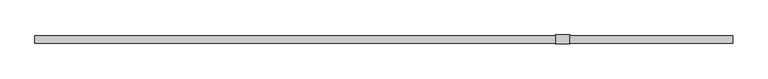
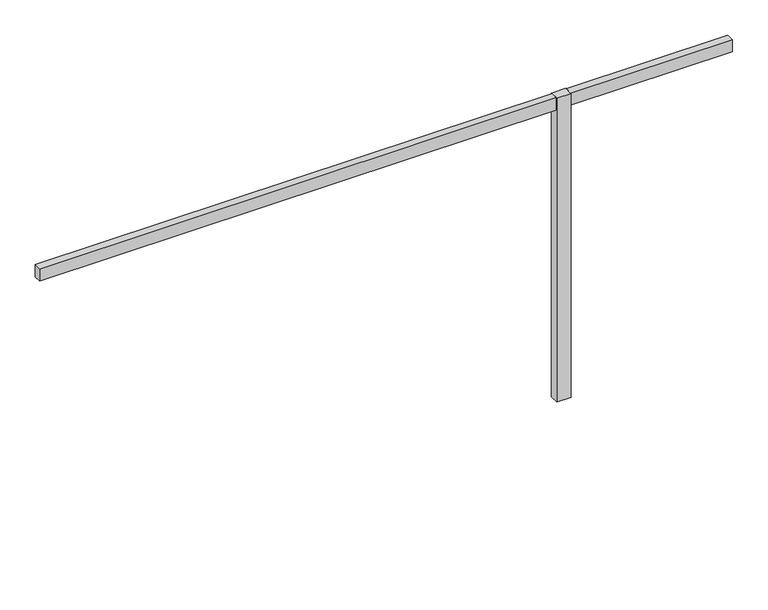
"""IFC4 building model written with IfcOpenShell, lengths in millimetres: furniture geometry."""

from ifc_helpers import new_model, si_unit, frame, origin, place, context, project, spatial, polyline, circle_curve, outline, extrude, source, transform, mapped, element, save
from ifc_brep_helpers import plane_surface, cylinder_surface, revolved_surface, advanced_brep


def furniture_31d07122(model_context):
    return source(origin(), model_context, "Body", "SolidModel", [
        extrude(outline(polyline([(0.0, -25.4), (0.0, 25.4), (3657.6, 25.4), (3657.6, -25.4), (0.0, -25.4)])), frame((0.0, 0.0, 2193.163), z_axis=(0.0, 0.0, 1.0), x_axis=(1.0, 0.0, 0.0)), (0.0, 0.0, 1.0), 92.71),
        extrude(outline(polyline([(4903.5208, 25.4), (4903.5208, -25.4), (3759.2, -25.4), (3759.2, 25.4), (4903.5208, 25.4)])), frame((0.0, 0.0, 2193.163), z_axis=(0.0, 0.0, 1.0), x_axis=(1.0, 0.0, 0.0)), (0.0, 0.0, 1.0), 92.71),
        advanced_brep(
        [(3703.48608, 0.0, 12.2513995), (3716.9007166, 0.0, 12.2513995), (3716.9007166, 0.0, 8.6192084), (3703.48608, 0.0, 8.6192084), (3710.1933983, 0.0, 12.2513995), (3706.2977328, 0.0, 0.1343169), (3714.0890638, 0.0, 0.1343169), (3710.1933983, 0.0, 0.1343169), (3701.5954934, 0.0, 0.5457096), (3718.7913032, 0.0, 0.5457096), (3699.663095, 0.0, 1.6168555), (3720.7237016, 0.0, 1.6168555), (3698.9442797, 0.0, 3.5917842), (3721.4425168, 0.0, 3.5917842), (3698.9442797, 0.0, 5.5815918), (3721.4425168, 0.0, 5.5815918), (3699.3049588, 0.0, 6.9276644), (3721.0818378, 0.0, 6.9276644), (3700.3315909, 0.0, 7.9542964), (3720.0552057, 0.0, 7.9542964), (3701.9773058, 0.0, 8.6192084), (3718.4094908, 0.0, 8.6192084)],
        [
            (0, 1, circle_curve(frame((3710.1933983, 0.0, 12.2513995), z_axis=(0.0, 0.0, -1.0), x_axis=(1.0, 0.0, 0.0)), 6.7073183)),
            (1, 2),
            (2, 3, circle_curve(frame((3710.1933983, 0.0, 8.6192084), z_axis=(0.0, 0.0, 1.0), x_axis=(1.0, 0.0, 0.0)), 6.7073183)),
            (3, 0),
            (1, 0, circle_curve(frame((3710.1933983, 0.0, 12.2513995), z_axis=(0.0, 0.0, -1.0), x_axis=(1.0, 0.0, 0.0)), 6.7073183)),
            (3, 2, circle_curve(frame((3710.1933983, 0.0, 8.6192084), z_axis=(0.0, 0.0, 1.0), x_axis=(1.0, 0.0, 0.0)), 6.7073183)),
            (4, 1),
            (0, 4),
            (5, 6, circle_curve(frame((3710.1933983, 0.0, 0.1343169), z_axis=(0.0, 0.0, -1.0), x_axis=(1.0, 0.0, 0.0)), 3.8956655)),
            (6, 7),
            (7, 5),
            (6, 5, circle_curve(frame((3710.1933983, 0.0, 0.1343169), z_axis=(0.0, 0.0, -1.0), x_axis=(1.0, 0.0, 0.0)), 3.8956655)),
            (8, 9, circle_curve(frame((3710.1933983, 0.0, 0.5457096), z_axis=(0.0, 0.0, -1.0), x_axis=(1.0, 0.0, 0.0)), 8.5979049)),
            (9, 6),
            (5, 8),
            (9, 8, circle_curve(frame((3710.1933983, 0.0, 0.5457096), z_axis=(0.0, 0.0, -1.0), x_axis=(1.0, 0.0, 0.0)), 8.5979049)),
            (10, 11, circle_curve(frame((3710.1933983, 0.0, 1.6168555), z_axis=(0.0, 0.0, -1.0), x_axis=(1.0, 0.0, 0.0)), 10.5303033)),
            (11, 9),
            (8, 10),
            (11, 10, circle_curve(frame((3710.1933983, 0.0, 1.6168555), z_axis=(0.0, 0.0, -1.0), x_axis=(1.0, 0.0, 0.0)), 10.5303033)),
            (12, 13, circle_curve(frame((3710.1933983, 0.0, 3.5917842), z_axis=(0.0, 0.0, -1.0), x_axis=(1.0, 0.0, 0.0)), 11.2491185)),
            (13, 11),
            (10, 12),
            (13, 12, circle_curve(frame((3710.1933983, 0.0, 3.5917842), z_axis=(0.0, 0.0, -1.0), x_axis=(1.0, 0.0, 0.0)), 11.2491185)),
            (14, 15, circle_curve(frame((3710.1933983, 0.0, 5.5815918), z_axis=(0.0, 0.0, -1.0), x_axis=(1.0, 0.0, 0.0)), 11.2491185)),
            (15, 13),
            (12, 14),
            (15, 14, circle_curve(frame((3710.1933983, 0.0, 5.5815918), z_axis=(0.0, 0.0, -1.0), x_axis=(1.0, 0.0, 0.0)), 11.2491185)),
            (16, 17, circle_curve(frame((3710.1933983, 0.0, 6.9276644), z_axis=(0.0, 0.0, -1.0), x_axis=(1.0, 0.0, 0.0)), 10.8884395)),
            (17, 15),
            (14, 16),
            (17, 16, circle_curve(frame((3710.1933983, 0.0, 6.9276644), z_axis=(0.0, 0.0, -1.0), x_axis=(1.0, 0.0, 0.0)), 10.8884395)),
            (18, 19, circle_curve(frame((3710.1933983, 0.0, 7.9542964), z_axis=(0.0, 0.0, -1.0), x_axis=(1.0, 0.0, 0.0)), 9.8618074)),
            (19, 17),
            (16, 18),
            (19, 18, circle_curve(frame((3710.1933983, 0.0, 7.9542964), z_axis=(0.0, 0.0, -1.0), x_axis=(1.0, 0.0, 0.0)), 9.8618074)),
            (20, 21, circle_curve(frame((3710.1933983, 0.0, 8.6192084), z_axis=(0.0, 0.0, -1.0), x_axis=(1.0, 0.0, 0.0)), 8.2160925)),
            (21, 19),
            (18, 20),
            (21, 20, circle_curve(frame((3710.1933983, 0.0, 8.6192084), z_axis=(0.0, 0.0, -1.0), x_axis=(1.0, 0.0, 0.0)), 8.2160925)),
            (2, 21),
            (20, 3),
        ],
        [
            cylinder_surface(frame((3710.1933983, 0.0, 12.9264669), z_axis=(0.0, 0.0, 1.0), x_axis=(1.0, 0.0, 0.0)), 6.7073183),
            plane_surface(frame((3710.1933983, 0.0, 12.2513995), z_axis=(0.0, 0.0, 1.0), x_axis=(1.0, 0.0, 0.0))),
            plane_surface(frame((3710.1933983, 0.0, 0.1343169), z_axis=(0.0, 0.0, -1.0), x_axis=(1.0, 0.0, 0.0))),
            revolved_surface(polyline([(3714.0890638, 0.0, 0.1343169), (3718.7913032, 0.0, 0.5457096)]), (3710.1933983, 0.0, 12.9264669), (0.0, 0.0, 1.0)),
            revolved_surface(polyline([(3718.7913032, 0.0, 0.5457096), (3720.7237016, 0.0, 1.6168555)]), (3710.1933983, 0.0, 12.9264669), (0.0, 0.0, 1.0)),
            revolved_surface(polyline([(3720.7237016, 0.0, 1.6168555), (3721.4425168, 0.0, 3.5917842)]), (3710.1933983, 0.0, 12.9264669), (0.0, 0.0, 1.0)),
            cylinder_surface(frame((3710.1933983, 0.0, 12.9264669), z_axis=(0.0, 0.0, 1.0), x_axis=(1.0, 0.0, 0.0)), 11.2491185),
            revolved_surface(polyline([(3721.4425168, 0.0, 5.5815918), (3721.0818378, 0.0, 6.9276644)]), (3710.1933983, 0.0, 12.9264669), (0.0, 0.0, 1.0)),
            revolved_surface(polyline([(3721.0818378, 0.0, 6.9276644), (3720.0552057, 0.0, 7.9542964)]), (3710.1933983, 0.0, 12.9264669), (0.0, 0.0, 1.0)),
            revolved_surface(polyline([(3720.0552057, 0.0, 7.9542964), (3718.4094908, 0.0, 8.6192084)]), (3710.1933983, 0.0, 12.9264669), (0.0, 0.0, 1.0)),
            plane_surface(frame((3710.1933983, 0.0, 8.6192084), z_axis=(0.0, 0.0, 1.0), x_axis=(1.0, 0.0, 0.0))),
        ],
        [
            (0, [[1, 2, 3, 4]]),
            (0, [[5, -4, 6, -2]]),
            (1, [[7, -1, 8]]),
            (1, [[-8, -5, -7]]),
            (2, [[9, 10, 11]]),
            (2, [[12, -11, -10]]),
            (3, [[13, 14, -9, 15]]),
            (3, [[16, -15, -12, -14]]),
            (4, [[17, 18, -13, 19]]),
            (4, [[20, -19, -16, -18]]),
            (5, [[21, 22, -17, 23]]),
            (5, [[24, -23, -20, -22]]),
            (6, [[25, 26, -21, 27]]),
            (6, [[28, -27, -24, -26]]),
            (7, [[29, 30, -25, 31]]),
            (7, [[32, -31, -28, -30]]),
            (8, [[33, 34, -29, 35]]),
            (8, [[36, -35, -32, -34]]),
            (9, [[37, 38, -33, 39]]),
            (9, [[40, -39, -36, -38]]),
            (10, [[-3, 41, -37, 42]]),
            (10, [[-6, -42, -40, -41]]),
        ],
    ),
        extrude(outline(polyline([(3657.6, 31.75), (3759.2, 31.75), (3759.2, -31.75), (3657.6, -31.75), (3657.6, 31.75)])), frame((0.0, 0.0, 12.2513995), z_axis=(0.0, 0.0, 1.0), x_axis=(1.0, 0.0, 0.0)), (0.0, 0.0, 1.0), 2273.6216005),
    ])


if __name__ == "__main__":
    model = new_model("IFC4")
    model_context = context("Model", 3, world=origin())
    ifc_project = project(units=[si_unit("LENGTHUNIT", "METRE", prefix="MILLI")], contexts=[model_context])
    site = spatial("IfcSite", under=ifc_project)
    building = spatial("IfcBuilding", under=site)
    placement = place(None, origin())
    furniture_shape = furniture_31d07122(model_context)
    element("IfcFurniture", 1, at=placement, inside=building, context=model_context, shape_type="MappedRepresentation", body=[
        mapped(furniture_shape, transform((0.0, 0.0, 0.0), x_axis=(1.0, 0.0, 0.0), y_axis=(0.0, 1.0, 0.0), z_axis=(0.0, 0.0, 1.0))),
    ])
    save(model, "model.ifc")
